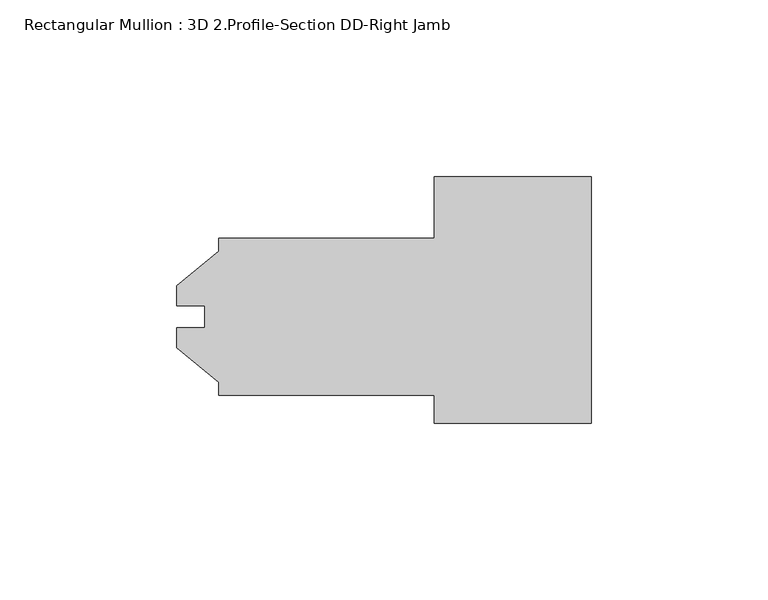
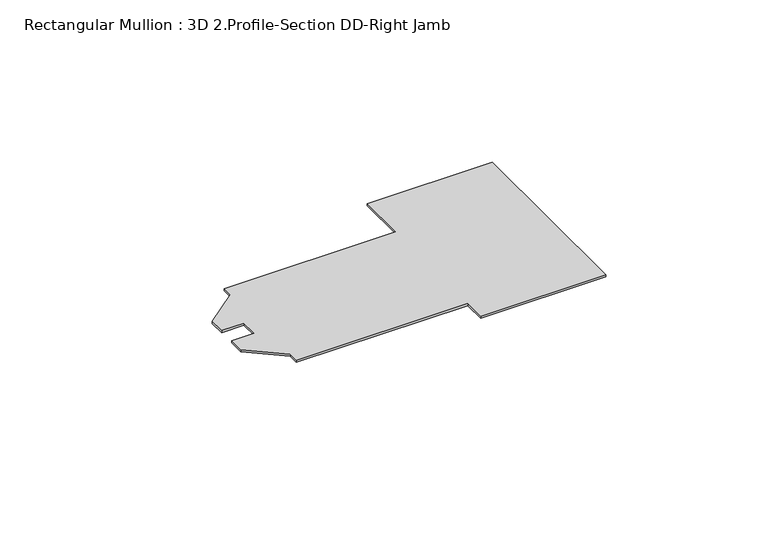
"""IFC4 building model written with IfcOpenShell, lengths in millimetres: member geometry, Rectangular Mullion : 3D 2.Profile-Section DD-Right Jamb."""

import ifcopenshell
import ifcopenshell.guid

model = None  # the IFC model being written
_history = None  # IfcOwnerHistory: only IFC2X3 demands one
_inside = {}  # id of a spatial element -> (the spatial element, [elements in it])
_under = {}  # id of a project, library or spatial element -> (it, [spatial elements below it])
_declared = {}  # id of a project -> (the project, [libraries it declares])
_typed = {}  # id of a type object -> (the type object, [elements of that type])
_made_of = {}  # id of a material, layer set ... -> (it, [elements and type objects made of it])


def new_model(schema):
    """Start an empty IFC model of exactly this schema.

    Asked for "IFC4X3", IfcOpenShell would pick the latest addendum, in which some entities
    have other attributes; the version numbers below select the first issue.
    IFC2X3 requires an IfcOwnerHistory on every rooted entity: one is made here for all.
    """
    global model, _history
    if schema == "IFC4X3":
        model = ifcopenshell.file(schema_version=(4, 3, 0, 0))
    else:
        model = ifcopenshell.file(schema=schema)
    _inside.clear()
    _under.clear()
    _declared.clear()
    _typed.clear()
    _made_of.clear()
    _history = None
    if model.schema == "IFC2X3":
        org = make("IfcOrganization", Name="unknown")
        user = make(
            "IfcPersonAndOrganization",
            ThePerson=make("IfcPerson", FamilyName="unknown"),
            TheOrganization=org,
        )
        app = make(
            "IfcApplication",
            ApplicationDeveloper=org,
            Version="unknown",
            ApplicationFullName="unknown",
            ApplicationIdentifier="unknown",
        )
        _history = make(
            "IfcOwnerHistory",
            OwningUser=user,
            OwningApplication=app,
            ChangeAction="ADDED",
            CreationDate=0,
        )
    return model


def make(cls, **values):
    """One entity of the class cls with the attributes given. An attribute that is None is left unset."""
    return model.create_entity(
        cls, **{name: value for name, value in values.items() if value is not None}
    )


def rooted(cls, **values):
    """An entity with a GlobalId (a new one), such as an element, a storey or a relation."""
    return make(cls, GlobalId=ifcopenshell.guid.new(), OwnerHistory=_history, **values)


def si_unit(unit_type, name, prefix=None):
    """IfcSIUnit, for example si_unit("LENGTHUNIT", "METRE", prefix="MILLI")."""
    return make("IfcSIUnit", UnitType=unit_type, Prefix=prefix, Name=name)


def assignment(units):
    """IfcUnitAssignment: the units of a project."""
    return None if units is None else make("IfcUnitAssignment", Units=units)


def point(xyz):
    """IfcCartesianPoint."""
    return None if xyz is None else make("IfcCartesianPoint", Coordinates=xyz)


def direction(xyz):
    """IfcDirection."""
    return None if xyz is None else make("IfcDirection", DirectionRatios=xyz)


def frame(location, z_axis=None, x_axis=None):
    """IfcAxis2Placement3D, a coordinate frame: its origin and axes. An axis left out is left unset."""
    return make(
        "IfcAxis2Placement3D",
        Location=point(location),
        Axis=direction(z_axis),
        RefDirection=direction(x_axis),
    )


def origin():
    """The frame at (0, 0, 0) with its axes left unset."""
    return frame((0.0, 0.0, 0.0))


def place(relative_to, where):
    """IfcLocalPlacement: puts the frame where relative to a parent placement (None: the world)."""
    return make(
        "IfcLocalPlacement", PlacementRelTo=relative_to, RelativePlacement=where
    )


def context(
    kind, dimensions, precision=None, world=None, true_north=None, identifier=None
):
    """IfcGeometricRepresentationContext, for example the 3D "Model" context."""
    return make(
        "IfcGeometricRepresentationContext",
        ContextIdentifier=identifier,
        ContextType=kind,
        CoordinateSpaceDimension=dimensions,
        Precision=precision,
        WorldCoordinateSystem=world,
        TrueNorth=true_north,
    )


def project(units=None, contexts=None):
    """IfcProject with its units and contexts."""
    return rooted(
        "IfcProject",
        Name="project",
        RepresentationContexts=contexts,
        UnitsInContext=assignment(units),
    )


def spatial(cls, under=None, at=None, **own):
    """A site, building, storey or space (cls), placed at a placement, below another one or the project."""
    s = rooted(cls, ObjectPlacement=at, **own)
    if under is not None:
        _under.setdefault(under.id(), (under, []))[1].append(s)
    return s


def polyline(points):
    """IfcPolyline through the points."""
    return make("IfcPolyline", Points=[point(p) for p in points])


def outline(outer, holes=None, kind="AREA"):
    """IfcArbitraryClosedProfileDef: a profile drawn as a closed curve; with holes, ...WithVoids."""
    if holes is None:
        return make("IfcArbitraryClosedProfileDef", ProfileType=kind, OuterCurve=outer)
    return make(
        "IfcArbitraryProfileDefWithVoids",
        ProfileType=kind,
        OuterCurve=outer,
        InnerCurves=holes,
    )


def extrude(swept, where, along, depth):
    """IfcExtrudedAreaSolid: the profile swept, set in the frame where, extruded along a direction by depth."""
    return make(
        "IfcExtrudedAreaSolid",
        SweptArea=swept,
        Position=where,
        ExtrudedDirection=direction(along),
        Depth=depth,
    )


def shape(context_of_items, identifier, shape_type, items):
    """IfcShapeRepresentation: the items that make up one representation, for example the "Body"."""
    return make(
        "IfcShapeRepresentation",
        ContextOfItems=context_of_items,
        RepresentationIdentifier=identifier,
        RepresentationType=shape_type,
        Items=items,
    )


def source(mapping_origin, context_of_items, identifier, shape_type, items):
    """IfcRepresentationMap: a shape defined once, which mapped items show again and again."""
    return make(
        "IfcRepresentationMap",
        MappingOrigin=mapping_origin,
        MappedRepresentation=shape(context_of_items, identifier, shape_type, items),
    )


def transform(
    local_origin,
    x_axis=None,
    y_axis=None,
    z_axis=None,
    scale=None,
    scale2=None,
    scale3=None,
    uniform=True,
):
    """IfcCartesianTransformationOperator3D, or its non-uniform kind. x_axis, y_axis, z_axis: its Axis1, 2, 3."""
    if uniform:
        return make(
            "IfcCartesianTransformationOperator3D",
            Axis1=direction(x_axis),
            Axis2=direction(y_axis),
            LocalOrigin=point(local_origin),
            Scale=scale,
            Axis3=direction(z_axis),
        )
    return make(
        "IfcCartesianTransformationOperator3DnonUniform",
        Axis1=direction(x_axis),
        Axis2=direction(y_axis),
        LocalOrigin=point(local_origin),
        Scale=scale,
        Axis3=direction(z_axis),
        Scale2=scale2,
        Scale3=scale3,
    )


def mapped(mapping_source, mapping_target):
    """IfcMappedItem: shows the shape of a source again, moved by a transform."""
    return make(
        "IfcMappedItem", MappingSource=mapping_source, MappingTarget=mapping_target
    )


def made_of(thing, what):
    """Note that an element or type object is made of a material, layer set ...; save() writes the relation."""
    if what is not None:
        _made_of.setdefault(what.id(), (what, []))[1].append(thing)
    return thing


def element(
    cls,
    number,
    at=None,
    inside=None,
    cuts=None,
    type_object=None,
    material=None,
    context=None,
    identifier="Body",
    shape_type=None,
    held_by="IfcProductDefinitionShape",
    body=None,
    shapes=None,
    **own,
):
    """One element of the class cls, such as IfcWall. Its Tag is "e" and its number.

    at: its placement. inside: the storey or other place that contains it. cuts: it is an
    opening in that element (IfcRelVoidsElement). A single representation is given by context,
    identifier, shape_type and body (its items); several are given by shapes. held_by: the class
    of the entity that holds the representations. save() writes the other relations.
    """
    e = rooted(cls, Tag="e%d" % number, ObjectPlacement=at, **own)
    if body is not None:
        shapes = [shape(context, identifier, shape_type, body)]
    if shapes is not None:
        e.Representation = make(held_by, Representations=shapes)
    if inside is not None:
        _inside.setdefault(inside.id(), (inside, []))[1].append(e)
    if cuts is not None:
        rooted(
            "IfcRelVoidsElement", RelatingBuildingElement=cuts, RelatedOpeningElement=e
        )
    if type_object is not None:
        _typed.setdefault(type_object.id(), (type_object, []))[1].append(e)
    return made_of(e, material)


def aggregate(whole, parts):
    """IfcRelAggregates: a whole, such as a stair, and the parts it consists of."""
    return rooted("IfcRelAggregates", RelatingObject=whole, RelatedObjects=parts)


def save(model, path):
    """Write the relations noted so far, then the file.

    IfcRelAggregates (storeys below a building ...), IfcRelContainedInSpatialStructure (elements
    in a storey), IfcRelDefinesByType, IfcRelAssociatesMaterial and IfcRelDeclares: one each for
    every whole, place, type object, material and project.
    """
    for whole, parts in _under.values():
        aggregate(whole, parts)
    for where, things in _inside.values():
        rooted(
            "IfcRelContainedInSpatialStructure",
            RelatedElements=things,
            RelatingStructure=where,
        )
    for kind, things in _typed.values():
        rooted("IfcRelDefinesByType", RelatedObjects=things, RelatingType=kind)
    for what, things in _made_of.values():
        rooted("IfcRelAssociatesMaterial", RelatedObjects=things, RelatingMaterial=what)
    for by, libraries in _declared.values():
        rooted("IfcRelDeclares", RelatingContext=by, RelatedDefinitions=libraries)
    model.write(path)


def rectangular_mullion_3d_2_profile_section_dd_right_jamb_b765ce3a(model_context):
    return source(origin(), model_context, "Body", "SweptSolid", [
        extrude(outline(polyline([(0.0, 39.6875), (0.0, -30.1625), (-44.45, -30.1625), (-44.45, -22.225), (-105.5624, -22.225), (-105.5624, -18.518836), (-117.46865, -8.7503), (-117.46865, -3.175), (-109.5248, -3.175), (-109.5248, 3.175), (-117.46865, 3.175), (-117.46865, 8.7503), (-105.5624, 18.518836), (-105.5624, 22.225), (-44.45, 22.225), (-44.45, 39.6875), (0.0, 39.6875)])), frame((0.0, 0.0, -0.79375), z_axis=(0.0, 0.0, 1.0), x_axis=(1.0, 0.0, 0.0)), (0.0, 0.0, 1.0), 0.79375),
    ])


if __name__ == "__main__":
    model = new_model("IFC4")
    model_context = context("Model", 3, world=origin())
    ifc_project = project(units=[si_unit("LENGTHUNIT", "METRE", prefix="MILLI")], contexts=[model_context])
    site = spatial("IfcSite", under=ifc_project)
    building = spatial("IfcBuilding", under=site)
    placement = place(None, origin())
    rectangular_mullion_3d_2_profile_section_dd_right_jamb_shape = rectangular_mullion_3d_2_profile_section_dd_right_jamb_b765ce3a(model_context)
    element("IfcMember", 1, ObjectType="Rectangular Mullion : 3D 2.Profile-Section DD-Right Jamb", at=placement, inside=building, context=model_context, shape_type="MappedRepresentation", body=[
        mapped(rectangular_mullion_3d_2_profile_section_dd_right_jamb_shape, transform((0.0, 0.0, 0.0), x_axis=(1.0, 0.0, 0.0), y_axis=(0.0, 1.0, 0.0), z_axis=(0.0, 0.0, 1.0))),
    ])
    save(model, "model.ifc")
